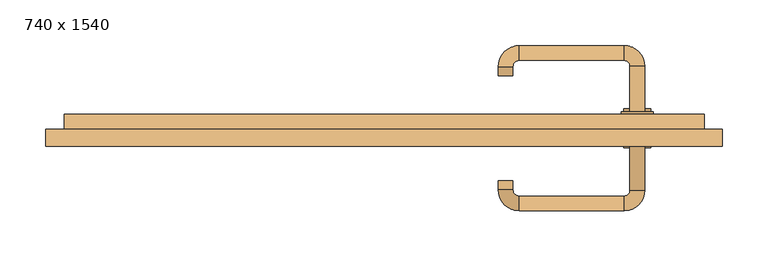
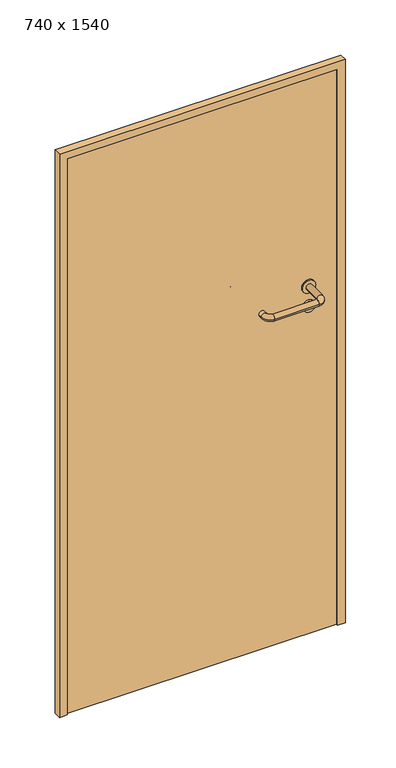
"""IFC4 building model written with IfcOpenShell, lengths in millimetres: door geometry, 740 x 1540."""

from ifc_helpers import new_model, si_unit, point, frame, frame_2d, origin, origin_with_axes, place, context, project, spatial, polyline, circle_curve, ellipse_curve, trimmed, segment, composite_curve, outline, extrude, source, transform, mapped, element, save
from ifc_brep_helpers import plane_surface, cylinder_surface, revolved_surface, advanced_brep


def door_740_x_1540_57ccf04b(model_context):
    return source(origin(), model_context, "Body", "SolidModel", [
        extrude(outline(composite_curve([segment(trimmed(circle_curve(frame_2d((897.3605726, 277.0)), 15.0), [point((897.3605726, 292.0))], [point((897.3605726, 262.0))], False, "CARTESIAN"), True, "CONTINUOUS"), segment(trimmed(circle_curve(frame_2d((897.3605726, 277.0)), 15.0), [point((897.3605726, 262.0))], [point((897.3605726, 292.0))], False, "CARTESIAN"), True, "CONTINUOUS")], self_intersect=False), holes=[composite_curve([segment(trimmed(circle_curve(frame_2d((892.5833211, 276.9398032)), 2.0), [point((892.5833211, 278.9398032))], [point((892.5833211, 274.9398032))], True, "CARTESIAN"), True, "CONTINUOUS"), segment(polyline([(892.5833211, 274.9398032), (902.5833211, 274.9398032)]), True, "CONTINUOUS"), segment(trimmed(circle_curve(frame_2d((902.5833211, 276.9398032)), 2.0), [point((902.5833211, 274.9398032))], [point((902.5833211, 278.9398032))], True, "CARTESIAN"), True, "CONTINUOUS"), segment(polyline([(902.5833211, 278.9398032), (892.5833211, 278.9398032)]), True, "CONTINUOUS")], self_intersect=False)]), frame((0.0, 25.0, 0.0), z_axis=(0.0, 1.0, 0.0), x_axis=(0.0, 0.0, 1.0)), (0.0, 0.0, 1.0), 6.35),
        extrude(outline(composite_curve([segment(trimmed(circle_curve(frame_2d((950.0, 277.0)), 17.526), [point((950.0, 294.526))], [point((950.0, 259.474))], False, "CARTESIAN"), True, "CONTINUOUS"), segment(trimmed(circle_curve(frame_2d((950.0, 277.0)), 17.526), [point((950.0, 259.474))], [point((950.0, 294.526))], False, "CARTESIAN"), True, "CONTINUOUS")], self_intersect=False)), frame((0.0, 25.0, 0.0), z_axis=(0.0, 1.0, 0.0), x_axis=(0.0, 0.0, 1.0)), (0.0, 0.0, 1.0), 3.175),
        advanced_brep(
        [(285.0, 25.0, 950.0), (269.0, 25.0, 950.0), (285.0, 78.0, 950.0), (269.0, 78.0, 950.0), (262.8578644, 84.1421356, 950.0), (262.8578644, 100.1421356, 950.0), (147.8578644, 100.1421356, 950.0), (147.8578644, 84.1421356, 950.0), (141.008622, 77.2928932, 950.0), (125.008622, 77.2928932, 950.0), (125.008622, 67.2928932, 950.0), (141.008622, 67.2928932, 950.0)],
        [
            (0, 1, circle_curve(frame((277.0, 25.0, 950.0), z_axis=(0.0, -1.0, 0.0), x_axis=(-1.0, 0.0, 0.0)), 8.0)),
            (1, 0, circle_curve(frame((277.0, 25.0, 950.0), z_axis=(0.0, -1.0, 0.0), x_axis=(-1.0, 0.0, 0.0)), 8.0)),
            (0, 2),
            (2, 3, circle_curve(frame((277.0, 78.0, 950.0), z_axis=(0.0, -1.0, 0.0), x_axis=(-1.0, 0.0, 0.0)), 8.0)),
            (3, 1),
            (3, 2, circle_curve(frame((277.0, 78.0, 950.0), z_axis=(0.0, -1.0, 0.0), x_axis=(-1.0, 0.0, 0.0)), 8.0)),
            (4, 3, circle_curve(frame((262.8578644, 78.0, 950.0), z_axis=(0.0, 0.0, -1.0), x_axis=(1.0, 0.0, 0.0)), 6.1421356)),
            (2, 5, circle_curve(frame((262.8578644, 78.0, 950.0), z_axis=(0.0, 0.0, 1.0), x_axis=(1.0, 0.0, 0.0)), 22.1421356)),
            (5, 4, circle_curve(frame((262.8578644, 92.1421356, 950.0), z_axis=(1.0, 0.0, 0.0), x_axis=(0.0, -1.0, 0.0)), 8.0)),
            (4, 5, circle_curve(frame((262.8578644, 92.1421356, 950.0), z_axis=(1.0, 0.0, 0.0), x_axis=(0.0, -1.0, 0.0)), 8.0)),
            (5, 6),
            (6, 7, circle_curve(frame((147.8578644, 92.1421356, 950.0), z_axis=(1.0, 0.0, 0.0), x_axis=(0.0, -1.0, 0.0)), 8.0)),
            (7, 4),
            (7, 6, circle_curve(frame((147.8578644, 92.1421356, 950.0), z_axis=(1.0, 0.0, 0.0), x_axis=(0.0, -1.0, 0.0)), 8.0)),
            (8, 7, circle_curve(frame((147.8578644, 77.2928932, 950.0), z_axis=(0.0, 0.0, -1.0), x_axis=(0.0, 1.0, 0.0)), 6.8492424)),
            (6, 9, circle_curve(frame((147.8578644, 77.2928932, 950.0), z_axis=(0.0, 0.0, 1.0), x_axis=(0.0, 1.0, 0.0)), 22.8492424)),
            (9, 8, circle_curve(frame((133.008622, 77.2928932, 950.0), z_axis=(0.0, 1.0, 0.0), x_axis=(1.0, 0.0, 0.0)), 8.0)),
            (8, 9, circle_curve(frame((133.008622, 77.2928932, 950.0), z_axis=(0.0, 1.0, 0.0), x_axis=(1.0, 0.0, 0.0)), 8.0)),
            (10, 11, circle_curve(frame((133.008622, 67.2928932, 950.0), z_axis=(0.0, -1.0, 0.0), x_axis=(1.0, 0.0, 0.0)), 8.0)),
            (11, 10, circle_curve(frame((133.008622, 67.2928932, 950.0), z_axis=(0.0, -1.0, 0.0), x_axis=(1.0, 0.0, 0.0)), 8.0)),
            (9, 10),
            (11, 8),
        ],
        [
            plane_surface(frame((277.0, 25.0, 0.0), z_axis=(0.0, -1.0, 0.0), x_axis=(0.0, 0.0, 1.0))),
            cylinder_surface(frame((277.0, 25.0, 950.0), z_axis=(0.0, -1.0, 0.0), x_axis=(-1.0, 0.0, 0.0)), 8.0),
            revolved_surface(trimmed(ellipse_curve(frame((277.0, 78.0, 950.0), z_axis=(0.0, -1.0, 0.0), x_axis=(-1.0, 0.0, 0.0)), 8.0, 8.0), [point((285.0, 78.0, 950.0))], [point((269.0, 78.0, 950.0))], True, "CARTESIAN"), (262.8578644, 78.0, 0.0), (0.0, 0.0, 1.0)),
            revolved_surface(trimmed(ellipse_curve(frame((277.0, 78.0, 950.0), z_axis=(0.0, -1.0, 0.0), x_axis=(-1.0, 0.0, 0.0)), 8.0, 8.0), [point((269.0, 78.0, 950.0))], [point((285.0, 78.0, 950.0))], True, "CARTESIAN"), (262.8578644, 78.0, 0.0), (0.0, 0.0, 1.0)),
            cylinder_surface(frame((262.8578644, 92.1421356, 950.0), z_axis=(1.0, 0.0, 0.0), x_axis=(0.0, -1.0, 0.0)), 8.0),
            revolved_surface(trimmed(ellipse_curve(frame((147.8578644, 92.1421356, 950.0), z_axis=(1.0, 0.0, 0.0), x_axis=(0.0, -1.0, 0.0)), 8.0, 8.0), [point((147.8578644, 100.1421356, 950.0))], [point((147.8578644, 84.1421356, 950.0))], True, "CARTESIAN"), (147.8578644, 77.2928932, 0.0), (0.0, 0.0, 1.0)),
            revolved_surface(trimmed(ellipse_curve(frame((147.8578644, 92.1421356, 950.0), z_axis=(1.0, 0.0, 0.0), x_axis=(0.0, -1.0, 0.0)), 8.0, 8.0), [point((147.8578644, 84.1421356, 950.0))], [point((147.8578644, 100.1421356, 950.0))], True, "CARTESIAN"), (147.8578644, 77.2928932, 0.0), (0.0, 0.0, 1.0)),
            plane_surface(frame((133.008622, 67.2928932, 0.0), z_axis=(0.0, -1.0, 0.0), x_axis=(0.0, 0.0, 1.0))),
            cylinder_surface(frame((133.008622, 77.2928932, 950.0), z_axis=(0.0, 1.0, 0.0), x_axis=(1.0, 0.0, 0.0)), 8.0),
        ],
        [
            (0, [[1, 2]]),
            (1, [[-1, 3, 4, 5]]),
            (1, [[-2, -5, 6, -3]]),
            (2, [[7, -4, 8, 9]]),
            (3, [[-8, -6, -7, 10]]),
            (4, [[-9, 11, 12, 13]]),
            (4, [[-10, -13, 14, -11]]),
            (5, [[15, -12, 16, 17]]),
            (6, [[-16, -14, -15, 18]]),
            (7, [[19, 20]]),
            (8, [[-17, 21, -20, 22]]),
            (8, [[-18, -22, -19, -21]]),
        ],
    ),
        extrude(outline(composite_curve([segment(trimmed(circle_curve(frame_2d((0.0, 15.0)), 15.0), [point((0.0, 30.0))], [point((0.0, 0.0))], False, "CARTESIAN"), True, "CONTINUOUS"), segment(trimmed(circle_curve(frame_2d((0.0, 15.0)), 15.0), [point((0.0, 0.0))], [point((0.0, 30.0))], False, "CARTESIAN"), True, "CONTINUOUS")], self_intersect=False), holes=[composite_curve([segment(trimmed(circle_curve(frame_2d((-4.7772515, 14.9398032)), 2.0), [point((-4.7772515, 16.9398032))], [point((-4.7772515, 12.9398032))], True, "CARTESIAN"), True, "CONTINUOUS"), segment(polyline([(-4.7772515, 12.9398032), (5.2227485, 12.9398032)]), True, "CONTINUOUS"), segment(trimmed(circle_curve(frame_2d((5.2227485, 14.9398032)), 2.0), [point((5.2227485, 12.9398032))], [point((5.2227485, 16.9398032))], True, "CARTESIAN"), True, "CONTINUOUS"), segment(polyline([(5.2227485, 16.9398032), (-4.7772515, 16.9398032)]), True, "CONTINUOUS")], self_intersect=False)]), frame((262.0, -11.35, 897.3605726), z_axis=(-1.8870575173328306e-12, 1.0, 0.0), x_axis=(0.0, 0.0, 1.0)), (0.0, 0.0, 1.0), 6.35),
        extrude(outline(composite_curve([segment(trimmed(circle_curve(frame_2d((0.0, 17.526)), 17.526), [point((0.0, 35.052))], [point((0.0, 0.0))], False, "CARTESIAN"), True, "CONTINUOUS"), segment(trimmed(circle_curve(frame_2d((0.0, 17.526)), 17.526), [point((0.0, 0.0))], [point((0.0, 35.052))], False, "CARTESIAN"), True, "CONTINUOUS")], self_intersect=False)), frame((259.474, -8.175, 950.0), z_axis=(-1.8870575173328306e-12, 1.0, 0.0), x_axis=(0.0, 0.0, 1.0)), (0.0, 0.0, 1.0), 3.175),
        advanced_brep(
        [(285.0, -5.0, 950.0), (269.0, -5.0, 950.0), (269.0, -58.0, 950.0), (285.0, -58.0, 950.0), (262.8578644, -64.1421356, 950.0), (262.8578644, -80.1421356, 950.0), (147.8578644, -64.1421356, 950.0), (147.8578644, -80.1421356, 950.0), (141.008622, -57.2928932, 950.0), (125.008622, -57.2928932, 950.0), (125.008622, -47.2928932, 950.0), (141.008622, -47.2928932, 950.0)],
        [
            (0, 1, circle_curve(frame((277.0, -5.0, 950.0), z_axis=(-1.888672253512351e-12, 1.0, 0.0), x_axis=(-1.0, -1.888672253512351e-12, 0.0)), 8.0)),
            (1, 0, circle_curve(frame((277.0, -5.0, 950.0), z_axis=(-1.888672253512351e-12, 1.0, 0.0), x_axis=(-1.0, -1.888672253512351e-12, 0.0)), 8.0)),
            (1, 2),
            (2, 3, circle_curve(frame((277.0, -58.0, 950.0), z_axis=(-1.888672253512351e-12, 1.0, 0.0), x_axis=(-1.0, -1.888672253512351e-12, 0.0)), 8.0)),
            (3, 0),
            (3, 2, circle_curve(frame((277.0, -58.0, 950.0), z_axis=(-1.888672253512351e-12, 1.0, 0.0), x_axis=(-1.0, -1.888672253512351e-12, 0.0)), 8.0)),
            (4, 5, circle_curve(frame((262.8578644, -72.1421356, 950.0), z_axis=(1.0, 1.913702061528922e-12, 0.0), x_axis=(-1.913702061528922e-12, 1.0, 0.0)), 8.0)),
            (5, 3, circle_curve(frame((262.8578644, -58.0, 950.0), z_axis=(0.0, 0.0, 1.0), x_axis=(1.0, 1.880717803715015e-12, 0.0)), 22.1421356)),
            (2, 4, circle_curve(frame((262.8578644, -58.0, 950.0), z_axis=(0.0, 0.0, -1.0), x_axis=(1.0, 1.880717803715015e-12, 0.0)), 6.1421356)),
            (5, 4, circle_curve(frame((262.8578644, -72.1421356, 950.0), z_axis=(1.0, 1.913702061528922e-12, 0.0), x_axis=(-1.913702061528922e-12, 1.0, 0.0)), 8.0)),
            (4, 6),
            (6, 7, circle_curve(frame((147.8578644, -72.1421356, 950.0), z_axis=(1.0, 1.913719828541269e-12, 0.0), x_axis=(-1.913719828541269e-12, 1.0, 0.0)), 8.0)),
            (7, 5),
            (7, 6, circle_curve(frame((147.8578644, -72.1421356, 950.0), z_axis=(1.0, 1.913719828541269e-12, 0.0), x_axis=(-1.913719828541269e-12, 1.0, 0.0)), 8.0)),
            (8, 9, circle_curve(frame((133.008622, -57.2928932, 950.0), z_axis=(1.8888942981172756e-12, -1.0, 0.0), x_axis=(1.0, 1.8888942981172756e-12, 0.0)), 8.0)),
            (9, 7, circle_curve(frame((147.8578644, -57.2928932, 950.0), z_axis=(0.0, 0.0, 1.0), x_axis=(1.9120873253494017e-12, -1.0, 0.0)), 22.8492424)),
            (6, 8, circle_curve(frame((147.8578644, -57.2928932, 950.0), z_axis=(0.0, 0.0, -1.0), x_axis=(1.9120873253494017e-12, -1.0, 0.0)), 6.8492424)),
            (9, 8, circle_curve(frame((133.008622, -57.2928932, 950.0), z_axis=(1.890448610351751e-12, -1.0, 0.0), x_axis=(1.0, 1.890448610351751e-12, 0.0)), 8.0)),
            (10, 11, circle_curve(frame((133.008622, -47.2928932, 950.0), z_axis=(-1.8903642334018795e-12, 1.0, 0.0), x_axis=(1.0, 1.8903642334018795e-12, 0.0)), 8.0)),
            (11, 10, circle_curve(frame((133.008622, -47.2928932, 950.0), z_axis=(-1.8903642334018795e-12, 1.0, 0.0), x_axis=(1.0, 1.8903642334018795e-12, 0.0)), 8.0)),
            (8, 11),
            (10, 9),
        ],
        [
            plane_surface(frame((277.0, -5.0, 0.0), z_axis=(-1.8870575173328306e-12, 1.0, 0.0), x_axis=(0.0, 0.0, 1.0))),
            cylinder_surface(frame((277.0, -5.0, 950.0), z_axis=(-1.888672253512351e-12, 1.0, 0.0), x_axis=(-1.0, -1.888672253512351e-12, 0.0)), 8.0),
            revolved_surface(trimmed(ellipse_curve(frame((277.0, -58.0, 950.0), z_axis=(1.8823325398945356e-12, -1.0, 0.0), x_axis=(-1.0, -1.8823325398945356e-12, 0.0)), 8.0, 8.0), [point((285.0, -58.0, 950.0))], [point((269.0, -58.0, 950.0))], True, "CARTESIAN"), (262.8578644, -58.0, 0.0), (0.0, 0.0, 1.0)),
            revolved_surface(trimmed(ellipse_curve(frame((277.0, -58.0, 950.0), z_axis=(1.8823325398945356e-12, -1.0, 0.0), x_axis=(-1.0, -1.8823325398945356e-12, 0.0)), 8.0, 8.0), [point((269.0, -58.0, 950.0))], [point((285.0, -58.0, 950.0))], True, "CARTESIAN"), (262.8578644, -58.0, 0.0), (0.0, 0.0, 1.0)),
            cylinder_surface(frame((262.8578644, -72.1421356, 950.0), z_axis=(1.0, 1.913719828541269e-12, 0.0), x_axis=(-1.913719828541269e-12, 1.0, 0.0)), 8.0),
            revolved_surface(trimmed(ellipse_curve(frame((147.8578644, -72.1421356, 950.0), z_axis=(-1.0, -1.913702061528922e-12, 0.0), x_axis=(-1.913702061528922e-12, 1.0, 0.0)), 8.0, 8.0), [point((147.8578644, -80.1421356, 950.0))], [point((147.8578644, -64.1421356, 950.0))], True, "CARTESIAN"), (147.8578644, -57.2928932, 0.0), (0.0, 0.0, 1.0)),
            revolved_surface(trimmed(ellipse_curve(frame((147.8578644, -72.1421356, 950.0), z_axis=(-1.0, -1.913702061528922e-12, 0.0), x_axis=(-1.913702061528922e-12, 1.0, 0.0)), 8.0, 8.0), [point((147.8578644, -64.1421356, 950.0))], [point((147.8578644, -80.1421356, 950.0))], True, "CARTESIAN"), (147.8578644, -57.2928932, 0.0), (0.0, 0.0, 1.0)),
            plane_surface(frame((133.008622, -47.2928932, 0.0), z_axis=(-1.8887494972223595e-12, 1.0, 0.0), x_axis=(0.0, 0.0, 1.0))),
            cylinder_surface(frame((133.008622, -57.2928932, 950.0), z_axis=(1.8903642334018795e-12, -1.0, 0.0), x_axis=(1.0, 1.8903642334018795e-12, 0.0)), 8.0),
        ],
        [
            (0, [[1, 2]]),
            (1, [[3, 4, 5, -2]]),
            (1, [[-5, 6, -3, -1]]),
            (2, [[7, 8, -4, 9]]),
            (3, [[10, -9, -6, -8]]),
            (4, [[11, 12, 13, -7]]),
            (4, [[-13, 14, -11, -10]]),
            (5, [[15, 16, -12, 17]]),
            (6, [[18, -17, -14, -16]]),
            (7, [[19, 20]]),
            (8, [[21, -19, 22, -15]]),
            (8, [[-22, -20, -21, -18]]),
        ],
    ),
        extrude(outline(polyline([(1520.0, 350.0), (0.0, 350.0), (0.0, 370.0), (1540.0, 370.0), (1540.0, -370.0), (0.0, -370.0), (0.0, -350.0), (1520.0, -350.0), (1520.0, 350.0)])), frame((0.0, -10.0, 0.0), z_axis=(0.0, 1.0, 0.0), x_axis=(0.0, 0.0, 1.0)), (0.0, 0.0, 1.0), 19.0),
        extrude(outline(polyline([(-350.0, -5.0), (-350.0, 25.0), (350.0, 25.0), (350.0, -5.0), (-350.0, -5.0)])), origin_with_axes(), (0.0, 0.0, 1.0), 1520.0),
    ])


if __name__ == "__main__":
    model = new_model("IFC4")
    model_context = context("Model", 3, world=origin())
    ifc_project = project(units=[si_unit("LENGTHUNIT", "METRE", prefix="MILLI")], contexts=[model_context])
    site = spatial("IfcSite", under=ifc_project)
    building = spatial("IfcBuilding", under=site)
    placement = place(None, origin())
    door_740_x_1540_shape = door_740_x_1540_57ccf04b(model_context)
    element("IfcDoor", 1, ObjectType="740 x 1540", at=placement, inside=building, context=model_context, shape_type="MappedRepresentation", body=[
        mapped(door_740_x_1540_shape, transform((0.0, 0.0, 0.0), x_axis=(1.0, 0.0, 0.0), y_axis=(0.0, 1.0, 0.0), z_axis=(0.0, 0.0, 1.0))),
    ])
    save(model, "model.ifc")
